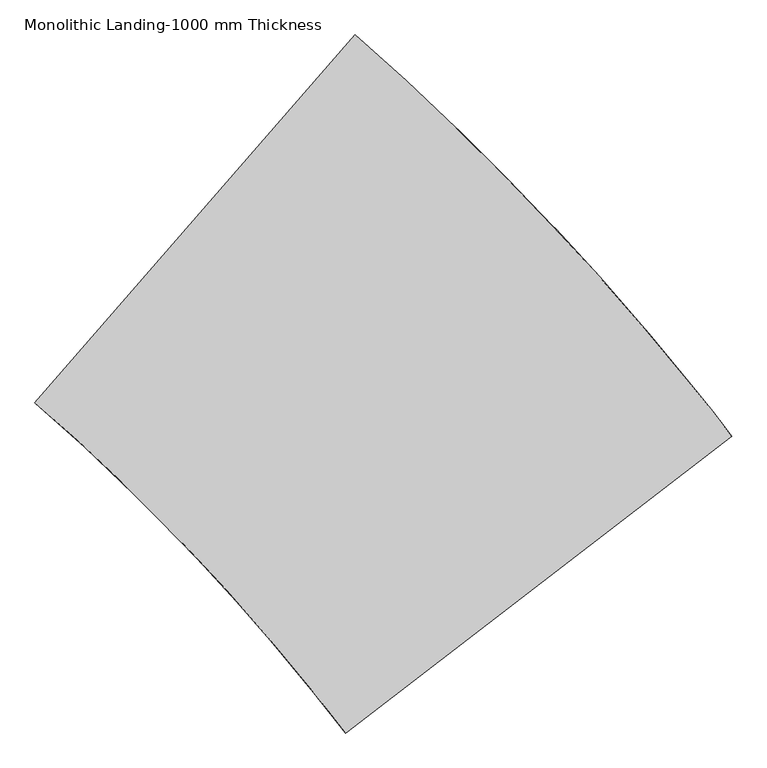
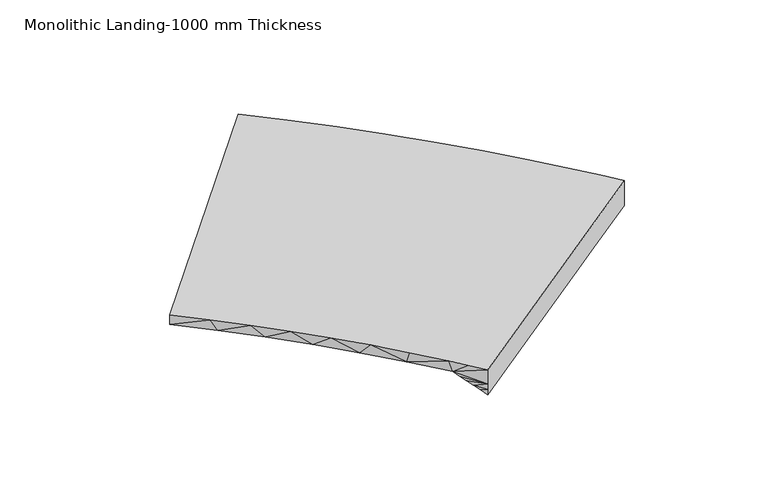
"""IFC4 building model written with IfcOpenShell, lengths in millimetres: stair geometry, Monolithic Landing-1000 mm Thickness."""

from ifc_helpers import new_model, si_unit, origin, place, context, project, spatial, faceted_brep, source, transform, mapped, element, save


def monolithic_landing_1000_mm_thickness_c755913e(model_context):
    return source(origin(), model_context, "Body", "Brep", [
        faceted_brep([(1243.0418197, 809.1945418, 2177.1428571), (1472.4601208, 546.090999, 2177.1428571), (1695.2461699, 277.3480209, 2177.1428571), (1804.7028844, 140.1594248, 2177.1428571), (1912.4416042, 1.5952722, 2177.1428571), (4292.2579512, 1828.1970773, 2177.1428571), (4161.1106573, 1996.1935458, 2177.1428571), (4027.9203465, 2162.5545605, 2177.1428571), (3757.0019421, 2488.501022, 2177.1428571), (3478.2051337, 2807.7348192, 2177.1428571), (3191.6961849, 3120.0655733, 2177.1428571), (2897.6459587, 3425.3070223, 2177.1428571), (2596.2298151, 3723.2771319, 2177.1428571), (2287.6275074, 4013.7982043, 2177.1428571), (1972.0230738, 4296.6969838, 2177.1428571), (1.5952722, 2034.5267252, 2177.1428571), (261.9591673, 1801.9974617, 2177.1428571), (516.4403928, 1563.0505655, 2177.1428571), (764.883698, 1317.8320318, 2177.1428571), (1007.1342425, 1066.4947325, 2177.1428571), (1912.4416042, 1.5952722, 2032.9083465), (1912.4416042, 1.5952722, 1977.8318257), (1912.4416042, 1.5952722, 1922.7553049), (2441.2896813, 407.5067845, 1922.7553049), (3498.9858355, 1219.329809, 1922.7553049), (3763.4098741, 1422.2855651, 1922.7553049), (4292.2579512, 1828.1970773, 1922.7553049), (4292.2579512, 1828.1970773, 1977.831769), (4292.2579512, 1828.1970773, 2032.9083515), (1972.0230738, 4296.6969838, 2077.1428571), (1.5952722, 2034.5267252, 2077.1428571), (3779.9049342, 2461.565104, 2077.1428571), (4053.8597273, 2130.4818197, 2077.1428571), (3534.4614008, 1712.7970647, 2077.1428571), (3274.7622376, 1503.9546872, 2077.1428571), (2235.9655845, 668.5851773, 2077.1428571), (1716.567258, 250.9004223, 2077.1428571), (1453.0859214, 568.8281705, 2077.1428571), (1180.3414123, 878.8457516, 2077.1428571), (898.5710851, 1180.6833743, 2077.1428571), (608.0201489, 1474.0783662, 2077.1428571), (308.9414541, 1758.7754019, 2077.1428571), (2291.966448, 4009.8109313, 2077.1428571), (2604.7089914, 3715.0916218, 2077.1428571), (2910.0589745, 3412.7197354, 2077.1428571), (3207.8291999, 3102.8806438, 2077.1428571), (3497.837117, 2785.7642964, 2077.1428571), (2994.701694, 1053.5151622, 1999.9477335), (1834.7699203, 101.8492486, 1984.5103321), (1873.7193067, 51.8102286, 1953.6328189), (4213.5374718, 1929.5455393, 1974.2171981), (4252.9913619, 1878.9440944, 1948.4861674), (1795.5942444, 151.7113053, 2015.3878445), (1756.193083, 201.3953752, 2046.2653562), (4134.0699439, 2030.3089595, 2025.6797382), (4094.0573898, 2080.4695629, 2051.4112346), (4173.8968189, 1980.0007233, 1999.9483905)], [[[0, 1, 2, 3, 4, 5, 6, 7, 8, 9, 10, 11, 12, 13, 14, 15, 16, 17, 18, 19]], [[4, 20, 21, 22, 23, 24, 25, 26, 27, 28, 5]], [[15, 14, 29, 30]], [[31, 32, 33, 34, 35, 36, 37, 38, 39, 40, 41, 30, 29, 42, 43, 44, 45, 46]], [[24, 23, 47]], [[47, 23, 48]], [[23, 22, 49]], [[23, 49, 48]], [[24, 50, 25]], [[50, 24, 47]], [[25, 51, 26]], [[51, 25, 50]], [[47, 48, 52]], [[47, 35, 34]], [[35, 52, 53]], [[36, 35, 53]], [[54, 47, 34]], [[54, 33, 55]], [[54, 56, 47]], [[56, 50, 47]], [[34, 33, 54]], [[33, 32, 55]], [[35, 47, 52]], [[27, 26, 51]], [[27, 56, 28]], [[54, 55, 28]], [[50, 27, 51]], [[54, 28, 56]], [[55, 32, 28]], [[5, 32, 6]], [[5, 28, 32]], [[6, 32, 7]], [[7, 31, 8]], [[31, 7, 32]], [[8, 31, 46]], [[27, 50, 56]], [[9, 46, 45]], [[44, 10, 45]], [[12, 43, 42]], [[44, 43, 11]], [[13, 42, 29]], [[10, 9, 45]], [[11, 10, 44]], [[13, 12, 42]], [[14, 13, 29]], [[11, 43, 12]], [[46, 9, 8]], [[30, 16, 15]], [[49, 22, 21]], [[39, 19, 18]], [[40, 18, 17]], [[41, 17, 16]], [[41, 40, 17]], [[16, 30, 41]], [[39, 38, 19]], [[18, 40, 39]], [[37, 0, 38]], [[38, 0, 19]], [[2, 1, 37]], [[0, 37, 1]], [[3, 2, 36]], [[36, 2, 37]], [[4, 3, 36]], [[49, 21, 48]], [[20, 4, 36]], [[53, 20, 36]], [[48, 20, 52]], [[53, 52, 20]], [[48, 21, 20]]]),
    ])


if __name__ == "__main__":
    model = new_model("IFC4")
    model_context = context("Model", 3, world=origin())
    ifc_project = project(units=[si_unit("LENGTHUNIT", "METRE", prefix="MILLI")], contexts=[model_context])
    site = spatial("IfcSite", under=ifc_project)
    building = spatial("IfcBuilding", under=site)
    placement = place(None, origin())
    monolithic_landing_1000_mm_thickness_shape = monolithic_landing_1000_mm_thickness_c755913e(model_context)
    element("IfcStair", 1, ObjectType="Monolithic Landing-1000 mm Thickness", at=placement, inside=building, context=model_context, shape_type="MappedRepresentation", body=[
        mapped(monolithic_landing_1000_mm_thickness_shape, transform((0.0, 0.0, 0.0), x_axis=(1.0, 0.0, 0.0), y_axis=(0.0, 1.0, 0.0), z_axis=(0.0, 0.0, 1.0))),
    ])
    save(model, "model.ifc")
